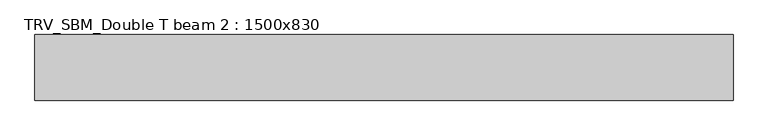
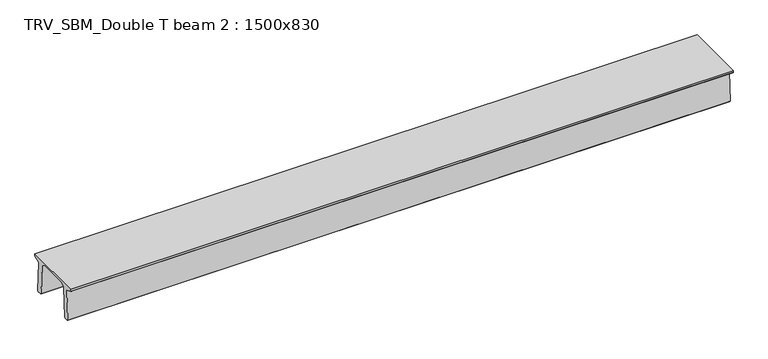
"""IFC4 building model written with IfcOpenShell, lengths in millimetres: beam geometry, TRV_SBM_Double T beam 2 : 1500x830."""

from ifc_helpers import new_model, si_unit, frame, origin, place, context, project, spatial, polyline, outline, extrude, source, transform, mapped, element, save


def trv_sbm_double_t_beam_2_1500x830_6aacc4ee(model_context):
    return source(origin(), model_context, "Body", "SweptSolid", [
        extrude(outline(polyline([(337.4555014, 470.0), (-343.4555014, 470.0), (-456.5828437, 409.8491251), (-494.786332, -340.5206011), (-514.2657308, -360.0), (-604.2657308, -360.0), (-624.8277662, -339.4379646), (-586.9373878, 401.9654693), (-752.8511046, 468.9989621), (-753.0, 475.0), (-753.0, 520.0), (747.0, 520.0), (747.0, 475.0), (746.8511046, 468.9989621), (580.9373878, 401.9654693), (618.8277662, -339.4379646), (598.2657308, -360.0), (508.2657308, -360.0), (488.786332, -340.5206011), (450.5828437, 409.8491251), (337.4555014, 470.0)])), frame((-7974.5, 0.0, 0.0), z_axis=(1.0, 0.0, 0.0), x_axis=(0.0, 1.0, 0.0)), (0.0, 0.0, 1.0), 15949.0),
    ])


if __name__ == "__main__":
    model = new_model("IFC4")
    model_context = context("Model", 3, world=origin())
    ifc_project = project(units=[si_unit("LENGTHUNIT", "METRE", prefix="MILLI")], contexts=[model_context])
    site = spatial("IfcSite", under=ifc_project)
    building = spatial("IfcBuilding", under=site)
    placement = place(None, origin())
    trv_sbm_double_t_beam_2_1500x830_shape = trv_sbm_double_t_beam_2_1500x830_6aacc4ee(model_context)
    element("IfcBeam", 1, ObjectType="TRV_SBM_Double T beam 2 : 1500x830", at=placement, inside=building, context=model_context, shape_type="MappedRepresentation", body=[
        mapped(trv_sbm_double_t_beam_2_1500x830_shape, transform((0.0, 0.0, 0.0), x_axis=(1.0, 0.0, 0.0), y_axis=(0.0, 1.0, 0.0), z_axis=(0.0, 0.0, 1.0))),
    ])
    save(model, "model.ifc")
